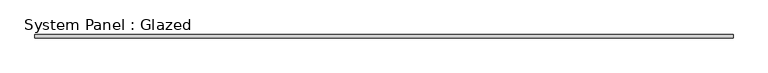
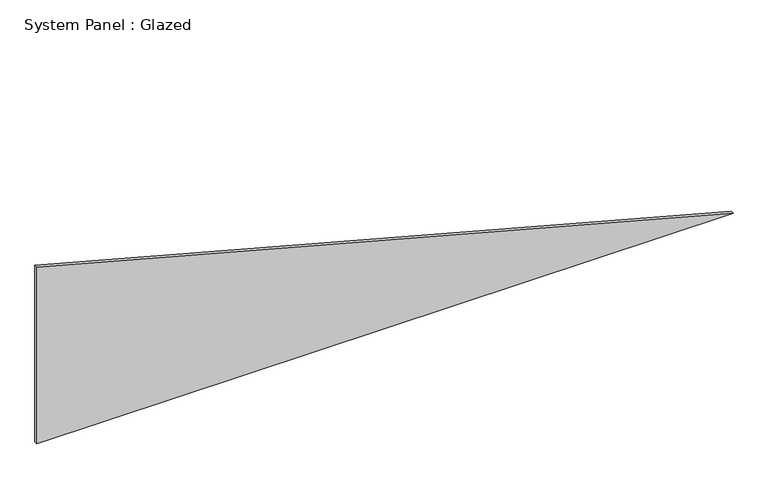
"""IFC4 building model written with IfcOpenShell, lengths in millimetres: plate geometry, System Panel : Glazed."""

from ifc_helpers import new_model, si_unit, frame, origin, place, context, project, spatial, polyline, outline, extrude, source, transform, mapped, element, save


def system_panel_glazed_13f7a9a9(model_context):
    return source(origin(), model_context, "Body", "SweptSolid", [
        extrude(outline(polyline([(0.0, -2459.7423279), (0.0, 2459.7423279), (1318.1719407, -2459.7423279), (0.0, -2459.7423279)])), frame((0.0, -22.5, 0.0), z_axis=(0.0, 1.0, 0.0), x_axis=(0.0, 0.0, 1.0)), (0.0, 0.0, 1.0), 25.0),
    ])


if __name__ == "__main__":
    model = new_model("IFC4")
    model_context = context("Model", 3, world=origin())
    ifc_project = project(units=[si_unit("LENGTHUNIT", "METRE", prefix="MILLI")], contexts=[model_context])
    site = spatial("IfcSite", under=ifc_project)
    building = spatial("IfcBuilding", under=site)
    placement = place(None, origin())
    system_panel_glazed_shape = system_panel_glazed_13f7a9a9(model_context)
    element("IfcPlate", 1, ObjectType="System Panel : Glazed", at=placement, inside=building, context=model_context, shape_type="MappedRepresentation", body=[
        mapped(system_panel_glazed_shape, transform((0.0, 0.0, 0.0), x_axis=(1.0, 0.0, 0.0), y_axis=(0.0, 1.0, 0.0), z_axis=(0.0, 0.0, 1.0))),
    ])
    save(model, "model.ifc")
